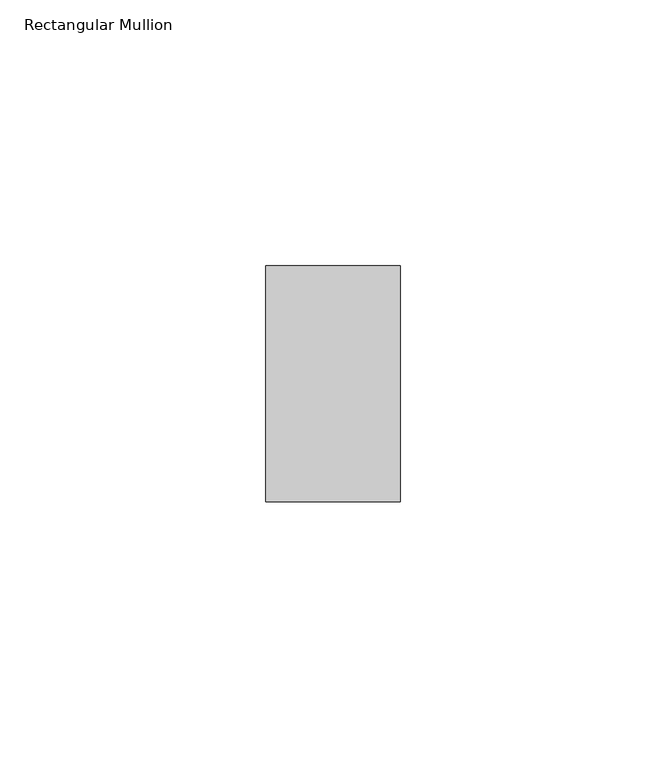
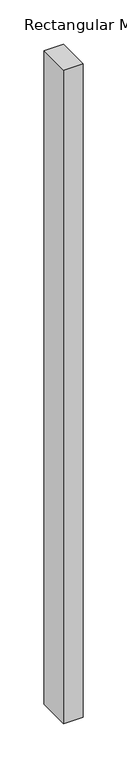
"""IFC4 building model written with IfcOpenShell, lengths in millimetres: member geometry, Rectangular Mullion."""

from ifc_helpers import new_model, si_unit, frame, origin, place, context, project, spatial, polyline, outline, extrude, source, transform, mapped, element, save


def rectangular_mullion_40c7f1eb(model_context):
    return source(origin(), model_context, "Body", "SweptSolid", [
        extrude(outline(polyline([(0.0, 22.225), (0.0, -22.225), (-25.4, -22.225), (-25.4, 22.225), (0.0, 22.225)])), frame((0.0, 0.0, -904.875), z_axis=(0.0, 0.0, 1.0), x_axis=(1.0, 0.0, 0.0)), (0.0, 0.0, 1.0), 904.875),
    ])


if __name__ == "__main__":
    model = new_model("IFC4")
    model_context = context("Model", 3, world=origin())
    ifc_project = project(units=[si_unit("LENGTHUNIT", "METRE", prefix="MILLI")], contexts=[model_context])
    site = spatial("IfcSite", under=ifc_project)
    building = spatial("IfcBuilding", under=site)
    placement = place(None, origin())
    rectangular_mullion_shape = rectangular_mullion_40c7f1eb(model_context)
    element("IfcMember", 1, ObjectType="Rectangular Mullion", at=placement, inside=building, context=model_context, shape_type="MappedRepresentation", body=[
        mapped(rectangular_mullion_shape, transform((0.0, 0.0, 0.0), x_axis=(1.0, 0.0, 0.0), y_axis=(0.0, 1.0, 0.0), z_axis=(0.0, 0.0, 1.0))),
    ])
    save(model, "model.ifc")
